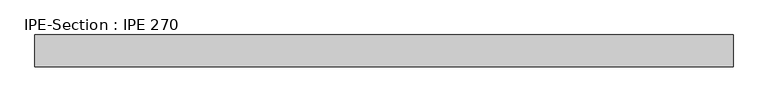
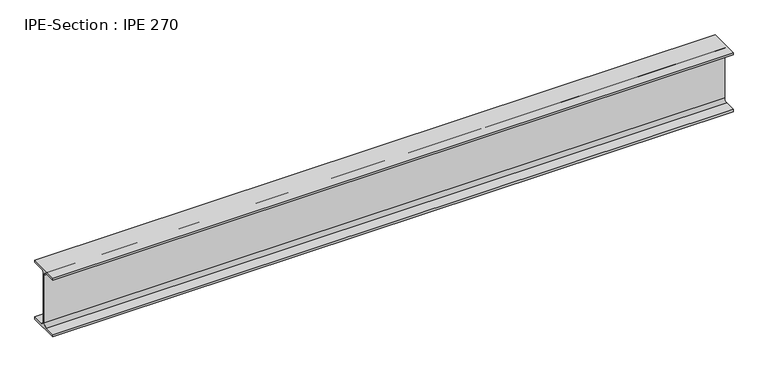
"""IFC4 building model written with IfcOpenShell, lengths in millimetres: beam geometry, IPE-Section : IPE 270."""

from ifc_helpers import new_model, si_unit, point, frame, frame_2d, origin, place, context, project, spatial, polyline, circle_curve, trimmed, segment, composite_curve, outline, extrude, source, transform, mapped, element, save


def ipe_section_ipe_270_232765f1(model_context):
    return source(origin(), model_context, "Body", "SweptSolid", [
        extrude(outline(composite_curve([segment(polyline([(67.5, -124.8), (67.5, -135.0), (-67.5, -135.0), (-67.5, -124.8), (-18.3, -124.8)]), True, "CONTINUOUS"), segment(trimmed(circle_curve(frame_2d((-18.3, -109.8)), 15.0), [point((-18.3, -124.8))], [point((-3.3, -109.8))], True, "CARTESIAN"), True, "CONTINUOUS"), segment(polyline([(-3.3, -109.8), (-3.3, 109.8)]), True, "CONTINUOUS"), segment(trimmed(circle_curve(frame_2d((-18.3, 109.8)), 15.0), [point((-3.3, 109.8))], [point((-18.3, 124.8))], True, "CARTESIAN"), True, "CONTINUOUS"), segment(polyline([(-18.3, 124.8), (-67.5, 124.8), (-67.5, 135.0), (67.5, 135.0), (67.5, 124.8), (18.3, 124.8)]), True, "CONTINUOUS"), segment(trimmed(circle_curve(frame_2d((18.3, 109.8)), 15.0), [point((18.3, 124.8))], [point((3.3, 109.8))], True, "CARTESIAN"), True, "CONTINUOUS"), segment(polyline([(3.3, 109.8), (3.3, -109.8)]), True, "CONTINUOUS"), segment(trimmed(circle_curve(frame_2d((18.3, -109.8)), 15.0), [point((3.3, -109.8))], [point((18.3, -124.8))], True, "CARTESIAN"), True, "CONTINUOUS"), segment(polyline([(18.3, -124.8), (67.5, -124.8)]), True, "CONTINUOUS")], self_intersect=False)), frame((-1476.05, 0.0, 0.0), z_axis=(1.0, 0.0, 0.0), x_axis=(0.0, 1.0, 0.0)), (0.0, 0.0, 1.0), 2952.1),
    ])


if __name__ == "__main__":
    model = new_model("IFC4")
    model_context = context("Model", 3, world=origin())
    ifc_project = project(units=[si_unit("LENGTHUNIT", "METRE", prefix="MILLI")], contexts=[model_context])
    site = spatial("IfcSite", under=ifc_project)
    building = spatial("IfcBuilding", under=site)
    placement = place(None, origin())
    ipe_section_ipe_270_shape = ipe_section_ipe_270_232765f1(model_context)
    element("IfcBeam", 1, ObjectType="IPE-Section : IPE 270", at=placement, inside=building, context=model_context, shape_type="MappedRepresentation", body=[
        mapped(ipe_section_ipe_270_shape, transform((0.0, 0.0, 0.0), x_axis=(1.0, 0.0, 0.0), y_axis=(0.0, 1.0, 0.0), z_axis=(0.0, 0.0, 1.0))),
    ])
    save(model, "model.ifc")
